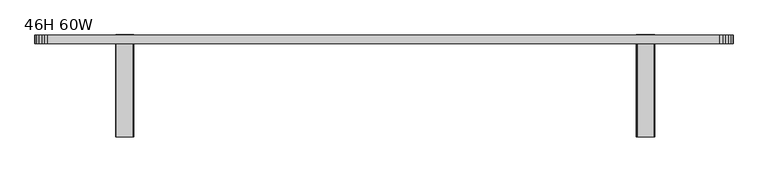
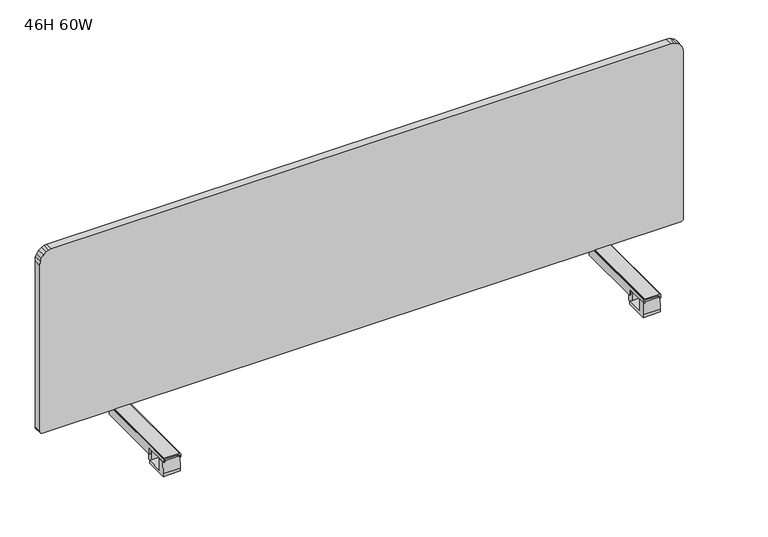
"""IFC4 building model written with IfcOpenShell, lengths in millimetres: furniture geometry, 46H 60W."""

from ifc_helpers import new_model, si_unit, frame, origin, place, context, project, spatial, polyline, outline, extrude, faceted_brep, source, transform, mapped, element, save


def furniture_46h_60w_592bc8dc(model_context):
    return source(origin(), model_context, "Body", "SolidModel", [
        extrude(outline(polyline([(1340.3823822, -141.6031239), (1340.3823822, -154.2281164), (1311.38239, -154.2281164), (1311.38239, -141.6031239), (1311.9681646, -140.1889115), (1313.3823951, -139.6031279), (1338.3823953, -139.6031279), (1339.7966077, -140.1889115), (1340.3823822, -141.6031239)])), frame((0.0, 0.0, 646.9791864), z_axis=(0.0, 0.0, 1.0), x_axis=(1.0, 0.0, 0.0)), (0.0, 0.0, 1.0), 36.529965),
        extrude(outline(polyline([(-194.9781181, 683.4791388), (-194.9781181, 653.9791225), (-154.2281164, 653.9791225), (-154.2281164, 646.9791864), (-209.6031339, 646.9791864), (-209.6031339, 653.9791225), (-208.6031222, 683.4791388), (-194.9781181, 683.4791388)])), frame((1305.8823805, 0.0, 0.0), z_axis=(1.0, 0.0, 0.0), x_axis=(0.0, 1.0, 0.0)), (0.0, 0.0, 1.0), 40.0000112),
        faceted_brep([(1343.3423941, -211.9031207, 688.4791243), (1343.3423941, -211.9031207, 683.5091515), (1345.8823917, -211.9031207, 683.5091515), (1345.8823917, -211.9031207, 691.0191582), (1345.296599, -211.9031207, 692.4333887), (1343.8823866, -211.9031207, 693.0191814), (1307.8823856, -211.9031207, 693.0191814), (1306.4681732, -211.9031207, 692.4333887), (1305.8823805, -211.9031207, 691.0191582), (1305.8823805, -211.9031207, 683.5091515), (1308.4223781, -211.9031207, 683.5091515), (1308.4223781, -211.9031207, 688.4791243), (1309.0081708, -211.9031207, 689.8933548), (1310.4223832, -211.9031207, 690.4791475), (1341.342389, -211.9031207, 690.4791475), (1342.7566014, -211.9031207, 689.8933548), (1343.3423941, 9.9217944, 669.0191202), (1343.3423941, 9.9217944, 688.4791243), (1342.7566014, 9.9217944, 689.8933548), (1341.342389, 9.9217944, 690.4791475), (1310.4223832, 9.9217944, 690.4791475), (1309.0081708, 9.9217944, 689.8933548), (1308.4223781, 9.9217944, 688.4791243), (1308.4223781, 9.9217944, 669.0191202), (1305.8823805, 9.9217944, 669.0191202), (1305.8823805, 9.9217944, 691.0191582), (1306.4681732, 9.9217944, 692.4333887), (1307.8823856, 9.9217944, 693.0191814), (1343.8823866, 9.9217944, 693.0191814), (1345.296599, 9.9217944, 692.4333887), (1345.8823917, 9.9217944, 691.0191582), (1345.8823917, 9.9217944, 669.0191202), (1343.3423941, -154.103124, 669.0191202), (1343.3423941, -154.103124, 683.5091515), (1308.4223781, -154.103124, 683.5091515), (1308.4223781, -154.103124, 669.0191202), (1305.8823805, -154.103124, 669.0191202), (1305.8823805, -154.103124, 683.5091515), (1345.8823917, -154.103124, 683.5091515), (1345.8823917, -154.103124, 669.0191202)], [[[0, 1, 2, 3, 4, 5, 6, 7, 8, 9, 10, 11, 12, 13, 14, 15]], [[16, 17, 18, 19, 20, 21, 22, 23, 24, 25, 26, 27, 28, 29, 30, 31]], [[16, 32, 33, 1, 0, 17]], [[15, 18, 17, 0]], [[14, 19, 18, 15]], [[13, 20, 19, 14]], [[12, 21, 20, 13]], [[11, 22, 21, 12]], [[22, 11, 10, 34, 35, 23]], [[23, 35, 36, 24]], [[24, 36, 37, 9, 8, 25]], [[7, 26, 25, 8]], [[6, 27, 26, 7]], [[5, 28, 27, 6]], [[4, 29, 28, 5]], [[3, 30, 29, 4]], [[30, 3, 2, 38, 39, 31]], [[31, 39, 32, 16]], [[33, 32, 39, 38]], [[37, 36, 35, 34]], [[34, 10, 9, 37]], [[38, 2, 1, 33]]]),
        extrude(outline(polyline([(180.6018898, -141.6031239), (181.1876644, -140.1889115), (182.6018768, -139.6031279), (207.601877, -139.6031279), (209.0161075, -140.1889115), (209.6018821, -141.6031239), (209.6018821, -154.2281164), (180.6018898, -154.2281164), (180.6018898, -141.6031239)])), frame((0.0, 0.0, 646.9791864), z_axis=(0.0, 0.0, 1.0), x_axis=(1.0, 0.0, 0.0)), (0.0, 0.0, 1.0), 36.529965),
        extrude(outline(polyline([(-194.9781181, 683.4791388), (-194.9781181, 653.9791225), (-154.2281164, 653.9791225), (-154.2281164, 646.9791864), (-209.6031339, 646.9791864), (-209.6031339, 653.9791225), (-208.6031222, 683.4791388), (-194.9781181, 683.4791388)])), frame((175.1018803, 0.0, 0.0), z_axis=(1.0, 0.0, 0.0), x_axis=(0.0, 1.0, 0.0)), (0.0, 0.0, 1.0), 40.0000112),
        faceted_brep([(177.6418779, -211.9031207, 688.4791243), (178.2276707, -211.9031207, 689.8933548), (179.641883, -211.9031207, 690.4791475), (210.5618889, -211.9031207, 690.4791475), (211.9761012, -211.9031207, 689.8933548), (212.561894, -211.9031207, 688.4791243), (212.561894, -211.9031207, 683.5091515), (215.1018915, -211.9031207, 683.5091515), (215.1018915, -211.9031207, 691.0191582), (214.5160988, -211.9031207, 692.4333887), (213.1018864, -211.9031207, 693.0191814), (177.1018854, -211.9031207, 693.0191814), (175.6876731, -211.9031207, 692.4333887), (175.1018803, -211.9031207, 691.0191582), (175.1018803, -211.9031207, 683.5091515), (177.6418779, -211.9031207, 683.5091515), (177.6418779, 9.9217944, 669.0191202), (175.1018803, 9.9217944, 669.0191202), (175.1018803, 9.9217944, 691.0191582), (175.6876731, 9.9217944, 692.4333887), (177.1018854, 9.9217944, 693.0191814), (213.1018864, 9.9217944, 693.0191814), (214.5160988, 9.9217944, 692.4333887), (215.1018915, 9.9217944, 691.0191582), (215.1018915, 9.9217944, 669.0191202), (212.561894, 9.9217944, 669.0191202), (212.561894, 9.9217944, 688.4791243), (211.9761012, 9.9217944, 689.8933548), (210.5618889, 9.9217944, 690.4791475), (179.641883, 9.9217944, 690.4791475), (178.2276707, 9.9217944, 689.8933548), (177.6418779, 9.9217944, 688.4791243), (177.6418779, -154.103124, 683.5091515), (177.6418779, -154.103124, 669.0191202), (212.561894, -154.103124, 669.0191202), (212.561894, -154.103124, 683.5091515), (215.1018915, -154.103124, 669.0191202), (215.1018915, -154.103124, 683.5091515), (175.1018803, -154.103124, 669.0191202), (175.1018803, -154.103124, 683.5091515)], [[[0, 1, 2, 3, 4, 5, 6, 7, 8, 9, 10, 11, 12, 13, 14, 15]], [[16, 17, 18, 19, 20, 21, 22, 23, 24, 25, 26, 27, 28, 29, 30, 31]], [[16, 31, 0, 15, 32, 33]], [[1, 0, 31, 30]], [[2, 1, 30, 29]], [[3, 2, 29, 28]], [[4, 3, 28, 27]], [[5, 4, 27, 26]], [[26, 25, 34, 35, 6, 5]], [[25, 24, 36, 34]], [[24, 23, 8, 7, 37, 36]], [[9, 8, 23, 22]], [[10, 9, 22, 21]], [[11, 10, 21, 20]], [[12, 11, 20, 19]], [[13, 12, 19, 18]], [[18, 17, 38, 39, 14, 13]], [[17, 16, 33, 38]], [[32, 39, 38, 33]], [[37, 35, 34, 36]], [[39, 32, 15, 14]], [[35, 37, 7, 6]]]),
        extrude(outline(polyline([(1122.4893957, 1.0963127), (1112.1519318, 0.0), (699.3482108, 0.0), (697.1660213, 0.3957254), (695.7830389, 1.0884753), (694.849157, 1.8580863), (694.2090071, 2.6150063), (693.3471411, 4.2477782), (692.9891687, 6.3455874), (692.9891687, 1509.7798608), (693.3349325, 1511.8315524), (693.9944853, 1513.204579), (694.849375, 1514.2650521), (695.9120281, 1515.1240113), (697.3725494, 1515.8108153), (699.3104612, 1516.1225533), (1114.3352207, 1516.1225533), (1122.5486944, 1514.8925574), (1129.1224938, 1512.1975911), (1135.9988182, 1506.7647832), (1140.6993307, 1500.1735431), (1143.1121195, 1494.2282664), (1143.8645687, 1487.0595043), (1143.8645687, 27.5655904), (1143.0720784, 21.848712), (1140.7068884, 15.9030959), (1135.9970742, 9.339178), (1129.1243832, 3.9346733), (1122.4893957, 1.0963127)])), frame((0.0, -9.5249194, 0.0), z_axis=(0.0, 1.0, 0.0), x_axis=(0.0, 0.0, 1.0)), (0.0, 0.0, 1.0), 19.0498388),
    ])


if __name__ == "__main__":
    model = new_model("IFC4")
    model_context = context("Model", 3, world=origin())
    ifc_project = project(units=[si_unit("LENGTHUNIT", "METRE", prefix="MILLI")], contexts=[model_context])
    site = spatial("IfcSite", under=ifc_project)
    building = spatial("IfcBuilding", under=site)
    placement = place(None, origin())
    furniture_46h_60w_shape = furniture_46h_60w_592bc8dc(model_context)
    element("IfcFurniture", 1, ObjectType="46H 60W", at=placement, inside=building, context=model_context, shape_type="MappedRepresentation", body=[
        mapped(furniture_46h_60w_shape, transform((0.0, 0.0, 0.0), x_axis=(1.0, 0.0, 0.0), y_axis=(0.0, 1.0, 0.0), z_axis=(0.0, 0.0, 1.0))),
    ])
    save(model, "model.ifc")
